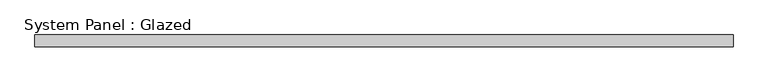
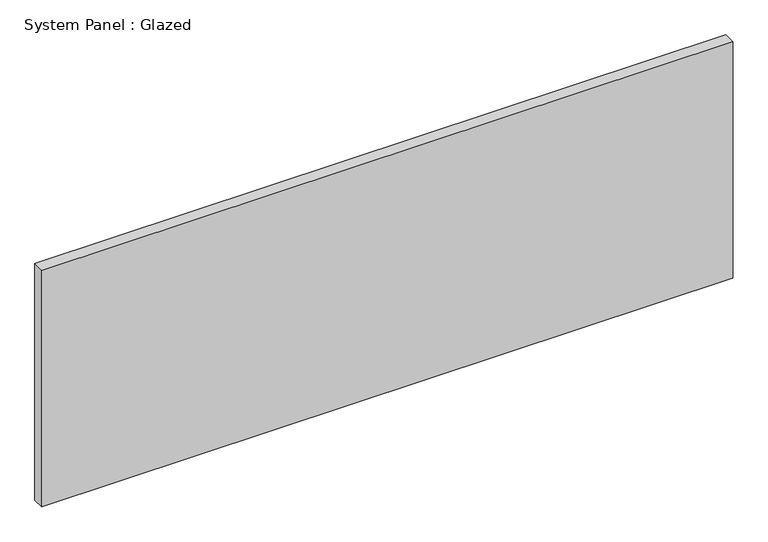
"""IFC4 building model written with IfcOpenShell, lengths in millimetres: plate geometry, System Panel : Glazed."""

import ifcopenshell
import ifcopenshell.guid

model = None  # the IFC model being written
_history = None  # IfcOwnerHistory: only IFC2X3 demands one
_inside = {}  # id of a spatial element -> (the spatial element, [elements in it])
_under = {}  # id of a project, library or spatial element -> (it, [spatial elements below it])
_declared = {}  # id of a project -> (the project, [libraries it declares])
_typed = {}  # id of a type object -> (the type object, [elements of that type])
_made_of = {}  # id of a material, layer set ... -> (it, [elements and type objects made of it])


def new_model(schema):
    """Start an empty IFC model of exactly this schema.

    Asked for "IFC4X3", IfcOpenShell would pick the latest addendum, in which some entities
    have other attributes; the version numbers below select the first issue.
    IFC2X3 requires an IfcOwnerHistory on every rooted entity: one is made here for all.
    """
    global model, _history
    if schema == "IFC4X3":
        model = ifcopenshell.file(schema_version=(4, 3, 0, 0))
    else:
        model = ifcopenshell.file(schema=schema)
    _inside.clear()
    _under.clear()
    _declared.clear()
    _typed.clear()
    _made_of.clear()
    _history = None
    if model.schema == "IFC2X3":
        org = make("IfcOrganization", Name="unknown")
        user = make(
            "IfcPersonAndOrganization",
            ThePerson=make("IfcPerson", FamilyName="unknown"),
            TheOrganization=org,
        )
        app = make(
            "IfcApplication",
            ApplicationDeveloper=org,
            Version="unknown",
            ApplicationFullName="unknown",
            ApplicationIdentifier="unknown",
        )
        _history = make(
            "IfcOwnerHistory",
            OwningUser=user,
            OwningApplication=app,
            ChangeAction="ADDED",
            CreationDate=0,
        )
    return model


def make(cls, **values):
    """One entity of the class cls with the attributes given. An attribute that is None is left unset."""
    return model.create_entity(
        cls, **{name: value for name, value in values.items() if value is not None}
    )


def rooted(cls, **values):
    """An entity with a GlobalId (a new one), such as an element, a storey or a relation."""
    return make(cls, GlobalId=ifcopenshell.guid.new(), OwnerHistory=_history, **values)


def si_unit(unit_type, name, prefix=None):
    """IfcSIUnit, for example si_unit("LENGTHUNIT", "METRE", prefix="MILLI")."""
    return make("IfcSIUnit", UnitType=unit_type, Prefix=prefix, Name=name)


def assignment(units):
    """IfcUnitAssignment: the units of a project."""
    return None if units is None else make("IfcUnitAssignment", Units=units)


def point(xyz):
    """IfcCartesianPoint."""
    return None if xyz is None else make("IfcCartesianPoint", Coordinates=xyz)


def direction(xyz):
    """IfcDirection."""
    return None if xyz is None else make("IfcDirection", DirectionRatios=xyz)


def frame(location, z_axis=None, x_axis=None):
    """IfcAxis2Placement3D, a coordinate frame: its origin and axes. An axis left out is left unset."""
    return make(
        "IfcAxis2Placement3D",
        Location=point(location),
        Axis=direction(z_axis),
        RefDirection=direction(x_axis),
    )


def origin():
    """The frame at (0, 0, 0) with its axes left unset."""
    return frame((0.0, 0.0, 0.0))


def origin_with_axes():
    """The frame at (0, 0, 0) with the z axis (0, 0, 1) and the x axis (1, 0, 0) written out."""
    return frame((0.0, 0.0, 0.0), z_axis=(0.0, 0.0, 1.0), x_axis=(1.0, 0.0, 0.0))


def place(relative_to, where):
    """IfcLocalPlacement: puts the frame where relative to a parent placement (None: the world)."""
    return make(
        "IfcLocalPlacement", PlacementRelTo=relative_to, RelativePlacement=where
    )


def context(
    kind, dimensions, precision=None, world=None, true_north=None, identifier=None
):
    """IfcGeometricRepresentationContext, for example the 3D "Model" context."""
    return make(
        "IfcGeometricRepresentationContext",
        ContextIdentifier=identifier,
        ContextType=kind,
        CoordinateSpaceDimension=dimensions,
        Precision=precision,
        WorldCoordinateSystem=world,
        TrueNorth=true_north,
    )


def project(units=None, contexts=None):
    """IfcProject with its units and contexts."""
    return rooted(
        "IfcProject",
        Name="project",
        RepresentationContexts=contexts,
        UnitsInContext=assignment(units),
    )


def spatial(cls, under=None, at=None, **own):
    """A site, building, storey or space (cls), placed at a placement, below another one or the project."""
    s = rooted(cls, ObjectPlacement=at, **own)
    if under is not None:
        _under.setdefault(under.id(), (under, []))[1].append(s)
    return s


def polyline(points):
    """IfcPolyline through the points."""
    return make("IfcPolyline", Points=[point(p) for p in points])


def outline(outer, holes=None, kind="AREA"):
    """IfcArbitraryClosedProfileDef: a profile drawn as a closed curve; with holes, ...WithVoids."""
    if holes is None:
        return make("IfcArbitraryClosedProfileDef", ProfileType=kind, OuterCurve=outer)
    return make(
        "IfcArbitraryProfileDefWithVoids",
        ProfileType=kind,
        OuterCurve=outer,
        InnerCurves=holes,
    )


def extrude(swept, where, along, depth):
    """IfcExtrudedAreaSolid: the profile swept, set in the frame where, extruded along a direction by depth."""
    return make(
        "IfcExtrudedAreaSolid",
        SweptArea=swept,
        Position=where,
        ExtrudedDirection=direction(along),
        Depth=depth,
    )


def shape(context_of_items, identifier, shape_type, items):
    """IfcShapeRepresentation: the items that make up one representation, for example the "Body"."""
    return make(
        "IfcShapeRepresentation",
        ContextOfItems=context_of_items,
        RepresentationIdentifier=identifier,
        RepresentationType=shape_type,
        Items=items,
    )


def source(mapping_origin, context_of_items, identifier, shape_type, items):
    """IfcRepresentationMap: a shape defined once, which mapped items show again and again."""
    return make(
        "IfcRepresentationMap",
        MappingOrigin=mapping_origin,
        MappedRepresentation=shape(context_of_items, identifier, shape_type, items),
    )


def transform(
    local_origin,
    x_axis=None,
    y_axis=None,
    z_axis=None,
    scale=None,
    scale2=None,
    scale3=None,
    uniform=True,
):
    """IfcCartesianTransformationOperator3D, or its non-uniform kind. x_axis, y_axis, z_axis: its Axis1, 2, 3."""
    if uniform:
        return make(
            "IfcCartesianTransformationOperator3D",
            Axis1=direction(x_axis),
            Axis2=direction(y_axis),
            LocalOrigin=point(local_origin),
            Scale=scale,
            Axis3=direction(z_axis),
        )
    return make(
        "IfcCartesianTransformationOperator3DnonUniform",
        Axis1=direction(x_axis),
        Axis2=direction(y_axis),
        LocalOrigin=point(local_origin),
        Scale=scale,
        Axis3=direction(z_axis),
        Scale2=scale2,
        Scale3=scale3,
    )


def mapped(mapping_source, mapping_target):
    """IfcMappedItem: shows the shape of a source again, moved by a transform."""
    return make(
        "IfcMappedItem", MappingSource=mapping_source, MappingTarget=mapping_target
    )


def made_of(thing, what):
    """Note that an element or type object is made of a material, layer set ...; save() writes the relation."""
    if what is not None:
        _made_of.setdefault(what.id(), (what, []))[1].append(thing)
    return thing


def element(
    cls,
    number,
    at=None,
    inside=None,
    cuts=None,
    type_object=None,
    material=None,
    context=None,
    identifier="Body",
    shape_type=None,
    held_by="IfcProductDefinitionShape",
    body=None,
    shapes=None,
    **own,
):
    """One element of the class cls, such as IfcWall. Its Tag is "e" and its number.

    at: its placement. inside: the storey or other place that contains it. cuts: it is an
    opening in that element (IfcRelVoidsElement). A single representation is given by context,
    identifier, shape_type and body (its items); several are given by shapes. held_by: the class
    of the entity that holds the representations. save() writes the other relations.
    """
    e = rooted(cls, Tag="e%d" % number, ObjectPlacement=at, **own)
    if body is not None:
        shapes = [shape(context, identifier, shape_type, body)]
    if shapes is not None:
        e.Representation = make(held_by, Representations=shapes)
    if inside is not None:
        _inside.setdefault(inside.id(), (inside, []))[1].append(e)
    if cuts is not None:
        rooted(
            "IfcRelVoidsElement", RelatingBuildingElement=cuts, RelatedOpeningElement=e
        )
    if type_object is not None:
        _typed.setdefault(type_object.id(), (type_object, []))[1].append(e)
    return made_of(e, material)


def aggregate(whole, parts):
    """IfcRelAggregates: a whole, such as a stair, and the parts it consists of."""
    return rooted("IfcRelAggregates", RelatingObject=whole, RelatedObjects=parts)


def save(model, path):
    """Write the relations noted so far, then the file.

    IfcRelAggregates (storeys below a building ...), IfcRelContainedInSpatialStructure (elements
    in a storey), IfcRelDefinesByType, IfcRelAssociatesMaterial and IfcRelDeclares: one each for
    every whole, place, type object, material and project.
    """
    for whole, parts in _under.values():
        aggregate(whole, parts)
    for where, things in _inside.values():
        rooted(
            "IfcRelContainedInSpatialStructure",
            RelatedElements=things,
            RelatingStructure=where,
        )
    for kind, things in _typed.values():
        rooted("IfcRelDefinesByType", RelatedObjects=things, RelatingType=kind)
    for what, things in _made_of.values():
        rooted("IfcRelAssociatesMaterial", RelatedObjects=things, RelatingMaterial=what)
    for by, libraries in _declared.values():
        rooted("IfcRelDeclares", RelatingContext=by, RelatedDefinitions=libraries)
    model.write(path)


def system_panel_glazed_0c7632f4(model_context):
    return source(origin(), model_context, "Body", "SweptSolid", [
        extrude(outline(polyline([(725.0, 24.5), (-725.0, 24.5), (-725.0, 49.5), (725.0, 49.5), (725.0, 24.5)])), origin_with_axes(), (0.0, 0.0, 1.0), 525.0),
    ])


if __name__ == "__main__":
    model = new_model("IFC4")
    model_context = context("Model", 3, world=origin())
    ifc_project = project(units=[si_unit("LENGTHUNIT", "METRE", prefix="MILLI")], contexts=[model_context])
    site = spatial("IfcSite", under=ifc_project)
    building = spatial("IfcBuilding", under=site)
    placement = place(None, origin())
    system_panel_glazed_shape = system_panel_glazed_0c7632f4(model_context)
    element("IfcPlate", 1, ObjectType="System Panel : Glazed", at=placement, inside=building, context=model_context, shape_type="MappedRepresentation", body=[
        mapped(system_panel_glazed_shape, transform((0.0, 0.0, 0.0), x_axis=(1.0, 0.0, 0.0), y_axis=(0.0, 1.0, 0.0), z_axis=(0.0, 0.0, 1.0))),
    ])
    save(model, "model.ifc")
